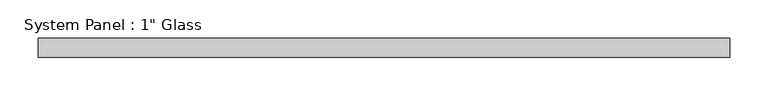
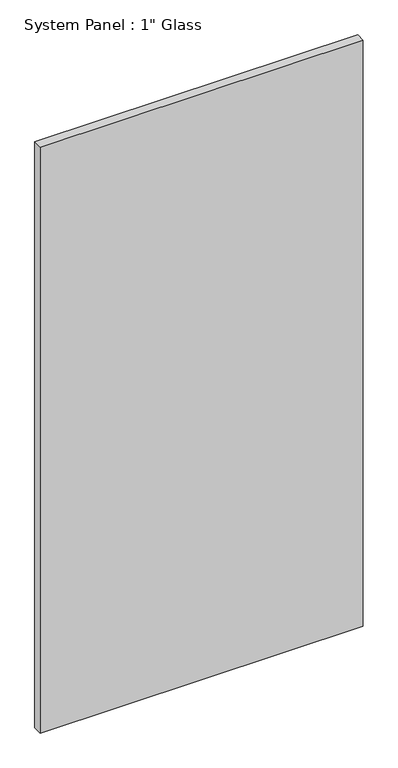
"""IFC4 building model written with IfcOpenShell, lengths in millimetres: plate geometry."""

import ifcopenshell
import ifcopenshell.guid

model = None  # the IFC model being written
_history = None  # IfcOwnerHistory: only IFC2X3 demands one
_inside = {}  # id of a spatial element -> (the spatial element, [elements in it])
_under = {}  # id of a project, library or spatial element -> (it, [spatial elements below it])
_declared = {}  # id of a project -> (the project, [libraries it declares])
_typed = {}  # id of a type object -> (the type object, [elements of that type])
_made_of = {}  # id of a material, layer set ... -> (it, [elements and type objects made of it])


def new_model(schema):
    """Start an empty IFC model of exactly this schema.

    Asked for "IFC4X3", IfcOpenShell would pick the latest addendum, in which some entities
    have other attributes; the version numbers below select the first issue.
    IFC2X3 requires an IfcOwnerHistory on every rooted entity: one is made here for all.
    """
    global model, _history
    if schema == "IFC4X3":
        model = ifcopenshell.file(schema_version=(4, 3, 0, 0))
    else:
        model = ifcopenshell.file(schema=schema)
    _inside.clear()
    _under.clear()
    _declared.clear()
    _typed.clear()
    _made_of.clear()
    _history = None
    if model.schema == "IFC2X3":
        org = make("IfcOrganization", Name="unknown")
        user = make(
            "IfcPersonAndOrganization",
            ThePerson=make("IfcPerson", FamilyName="unknown"),
            TheOrganization=org,
        )
        app = make(
            "IfcApplication",
            ApplicationDeveloper=org,
            Version="unknown",
            ApplicationFullName="unknown",
            ApplicationIdentifier="unknown",
        )
        _history = make(
            "IfcOwnerHistory",
            OwningUser=user,
            OwningApplication=app,
            ChangeAction="ADDED",
            CreationDate=0,
        )
    return model


def make(cls, **values):
    """One entity of the class cls with the attributes given. An attribute that is None is left unset."""
    return model.create_entity(
        cls, **{name: value for name, value in values.items() if value is not None}
    )


def rooted(cls, **values):
    """An entity with a GlobalId (a new one), such as an element, a storey or a relation."""
    return make(cls, GlobalId=ifcopenshell.guid.new(), OwnerHistory=_history, **values)


def si_unit(unit_type, name, prefix=None):
    """IfcSIUnit, for example si_unit("LENGTHUNIT", "METRE", prefix="MILLI")."""
    return make("IfcSIUnit", UnitType=unit_type, Prefix=prefix, Name=name)


def assignment(units):
    """IfcUnitAssignment: the units of a project."""
    return None if units is None else make("IfcUnitAssignment", Units=units)


def point(xyz):
    """IfcCartesianPoint."""
    return None if xyz is None else make("IfcCartesianPoint", Coordinates=xyz)


def direction(xyz):
    """IfcDirection."""
    return None if xyz is None else make("IfcDirection", DirectionRatios=xyz)


def frame(location, z_axis=None, x_axis=None):
    """IfcAxis2Placement3D, a coordinate frame: its origin and axes. An axis left out is left unset."""
    return make(
        "IfcAxis2Placement3D",
        Location=point(location),
        Axis=direction(z_axis),
        RefDirection=direction(x_axis),
    )


def origin():
    """The frame at (0, 0, 0) with its axes left unset."""
    return frame((0.0, 0.0, 0.0))


def origin_with_axes():
    """The frame at (0, 0, 0) with the z axis (0, 0, 1) and the x axis (1, 0, 0) written out."""
    return frame((0.0, 0.0, 0.0), z_axis=(0.0, 0.0, 1.0), x_axis=(1.0, 0.0, 0.0))


def place(relative_to, where):
    """IfcLocalPlacement: puts the frame where relative to a parent placement (None: the world)."""
    return make(
        "IfcLocalPlacement", PlacementRelTo=relative_to, RelativePlacement=where
    )


def context(
    kind, dimensions, precision=None, world=None, true_north=None, identifier=None
):
    """IfcGeometricRepresentationContext, for example the 3D "Model" context."""
    return make(
        "IfcGeometricRepresentationContext",
        ContextIdentifier=identifier,
        ContextType=kind,
        CoordinateSpaceDimension=dimensions,
        Precision=precision,
        WorldCoordinateSystem=world,
        TrueNorth=true_north,
    )


def project(units=None, contexts=None):
    """IfcProject with its units and contexts."""
    return rooted(
        "IfcProject",
        Name="project",
        RepresentationContexts=contexts,
        UnitsInContext=assignment(units),
    )


def spatial(cls, under=None, at=None, **own):
    """A site, building, storey or space (cls), placed at a placement, below another one or the project."""
    s = rooted(cls, ObjectPlacement=at, **own)
    if under is not None:
        _under.setdefault(under.id(), (under, []))[1].append(s)
    return s


def polyline(points):
    """IfcPolyline through the points."""
    return make("IfcPolyline", Points=[point(p) for p in points])


def outline(outer, holes=None, kind="AREA"):
    """IfcArbitraryClosedProfileDef: a profile drawn as a closed curve; with holes, ...WithVoids."""
    if holes is None:
        return make("IfcArbitraryClosedProfileDef", ProfileType=kind, OuterCurve=outer)
    return make(
        "IfcArbitraryProfileDefWithVoids",
        ProfileType=kind,
        OuterCurve=outer,
        InnerCurves=holes,
    )


def extrude(swept, where, along, depth):
    """IfcExtrudedAreaSolid: the profile swept, set in the frame where, extruded along a direction by depth."""
    return make(
        "IfcExtrudedAreaSolid",
        SweptArea=swept,
        Position=where,
        ExtrudedDirection=direction(along),
        Depth=depth,
    )


def shape(context_of_items, identifier, shape_type, items):
    """IfcShapeRepresentation: the items that make up one representation, for example the "Body"."""
    return make(
        "IfcShapeRepresentation",
        ContextOfItems=context_of_items,
        RepresentationIdentifier=identifier,
        RepresentationType=shape_type,
        Items=items,
    )


def source(mapping_origin, context_of_items, identifier, shape_type, items):
    """IfcRepresentationMap: a shape defined once, which mapped items show again and again."""
    return make(
        "IfcRepresentationMap",
        MappingOrigin=mapping_origin,
        MappedRepresentation=shape(context_of_items, identifier, shape_type, items),
    )


def transform(
    local_origin,
    x_axis=None,
    y_axis=None,
    z_axis=None,
    scale=None,
    scale2=None,
    scale3=None,
    uniform=True,
):
    """IfcCartesianTransformationOperator3D, or its non-uniform kind. x_axis, y_axis, z_axis: its Axis1, 2, 3."""
    if uniform:
        return make(
            "IfcCartesianTransformationOperator3D",
            Axis1=direction(x_axis),
            Axis2=direction(y_axis),
            LocalOrigin=point(local_origin),
            Scale=scale,
            Axis3=direction(z_axis),
        )
    return make(
        "IfcCartesianTransformationOperator3DnonUniform",
        Axis1=direction(x_axis),
        Axis2=direction(y_axis),
        LocalOrigin=point(local_origin),
        Scale=scale,
        Axis3=direction(z_axis),
        Scale2=scale2,
        Scale3=scale3,
    )


def mapped(mapping_source, mapping_target):
    """IfcMappedItem: shows the shape of a source again, moved by a transform."""
    return make(
        "IfcMappedItem", MappingSource=mapping_source, MappingTarget=mapping_target
    )


def made_of(thing, what):
    """Note that an element or type object is made of a material, layer set ...; save() writes the relation."""
    if what is not None:
        _made_of.setdefault(what.id(), (what, []))[1].append(thing)
    return thing


def element(
    cls,
    number,
    at=None,
    inside=None,
    cuts=None,
    type_object=None,
    material=None,
    context=None,
    identifier="Body",
    shape_type=None,
    held_by="IfcProductDefinitionShape",
    body=None,
    shapes=None,
    **own,
):
    """One element of the class cls, such as IfcWall. Its Tag is "e" and its number.

    at: its placement. inside: the storey or other place that contains it. cuts: it is an
    opening in that element (IfcRelVoidsElement). A single representation is given by context,
    identifier, shape_type and body (its items); several are given by shapes. held_by: the class
    of the entity that holds the representations. save() writes the other relations.
    """
    e = rooted(cls, Tag="e%d" % number, ObjectPlacement=at, **own)
    if body is not None:
        shapes = [shape(context, identifier, shape_type, body)]
    if shapes is not None:
        e.Representation = make(held_by, Representations=shapes)
    if inside is not None:
        _inside.setdefault(inside.id(), (inside, []))[1].append(e)
    if cuts is not None:
        rooted(
            "IfcRelVoidsElement", RelatingBuildingElement=cuts, RelatedOpeningElement=e
        )
    if type_object is not None:
        _typed.setdefault(type_object.id(), (type_object, []))[1].append(e)
    return made_of(e, material)


def aggregate(whole, parts):
    """IfcRelAggregates: a whole, such as a stair, and the parts it consists of."""
    return rooted("IfcRelAggregates", RelatingObject=whole, RelatedObjects=parts)


def save(model, path):
    """Write the relations noted so far, then the file.

    IfcRelAggregates (storeys below a building ...), IfcRelContainedInSpatialStructure (elements
    in a storey), IfcRelDefinesByType, IfcRelAssociatesMaterial and IfcRelDeclares: one each for
    every whole, place, type object, material and project.
    """
    for whole, parts in _under.values():
        aggregate(whole, parts)
    for where, things in _inside.values():
        rooted(
            "IfcRelContainedInSpatialStructure",
            RelatedElements=things,
            RelatingStructure=where,
        )
    for kind, things in _typed.values():
        rooted("IfcRelDefinesByType", RelatedObjects=things, RelatingType=kind)
    for what, things in _made_of.values():
        rooted("IfcRelAssociatesMaterial", RelatedObjects=things, RelatingMaterial=what)
    for by, libraries in _declared.values():
        rooted("IfcRelDeclares", RelatingContext=by, RelatedDefinitions=libraries)
    model.write(path)


def plate_41fb215d(model_context):
    return source(origin(), model_context, "Body", "SweptSolid", [
        extrude(outline(polyline([(453.9549025, -12.7), (-453.9549025, -12.7), (-453.9549025, 12.7), (453.9549025, 12.7), (453.9549025, -12.7)])), origin_with_axes(), (0.0, 0.0, 1.0), 1739.9),
    ])


if __name__ == "__main__":
    model = new_model("IFC4")
    model_context = context("Model", 3, world=origin())
    ifc_project = project(units=[si_unit("LENGTHUNIT", "METRE", prefix="MILLI")], contexts=[model_context])
    site = spatial("IfcSite", under=ifc_project)
    building = spatial("IfcBuilding", under=site)
    placement = place(None, origin())
    plate_shape = plate_41fb215d(model_context)
    element("IfcPlate", 1, ObjectType="System Panel : 1\" Glass", at=placement, inside=building, context=model_context, shape_type="MappedRepresentation", body=[
        mapped(plate_shape, transform((0.0, 0.0, 0.0), x_axis=(1.0, 0.0, 0.0), y_axis=(0.0, 1.0, 0.0), z_axis=(0.0, 0.0, 1.0))),
    ])
    save(model, "model.ifc")
